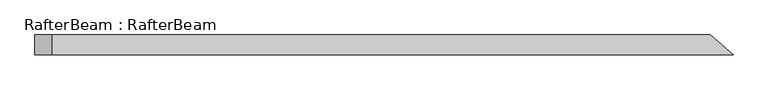
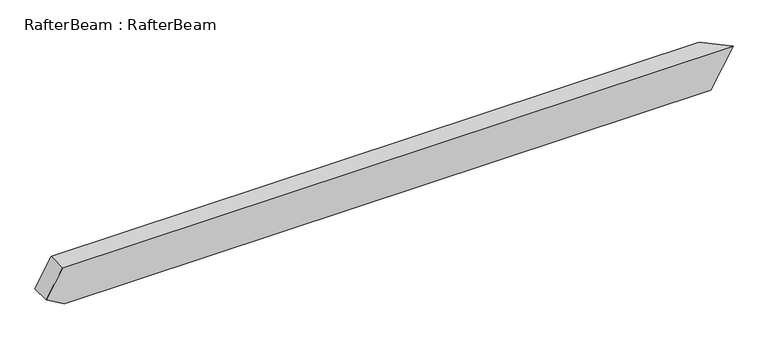
"""IFC4 building model written with IfcOpenShell, lengths in millimetres: beam geometry, RafterBeam : RafterBeam."""

from ifc_helpers import new_model, si_unit, origin, place, context, project, spatial, faceted_brep, source, transform, mapped, element, save


def rafterbeam_rafterbeam_58274458(model_context):
    return source(origin(), model_context, "Body", "Brep", [
        faceted_brep([(1368.6418165, -40.0, 80.0), (1275.4116379, 40.0, 80.0), (-1387.3464537, 40.0, 80.0), (-1387.3464537, -40.0, 80.0), (1183.0355948, 40.0, -80.0), (1276.2657734, -40.0, -80.0), (-1379.7224967, -40.0, -80.0), (-1379.7224967, 40.0, -80.0), (-1454.7224967, 40.0, -36.6987298), (-1454.7224967, -40.0, -36.6987298)], [[[0, 1, 2, 3]], [[4, 5, 6, 7]], [[1, 4, 7, 8, 2]], [[5, 0, 3, 9, 6]], [[0, 5, 4, 1]], [[3, 2, 8, 9]], [[7, 6, 9, 8]]]),
    ])


if __name__ == "__main__":
    model = new_model("IFC4")
    model_context = context("Model", 3, world=origin())
    ifc_project = project(units=[si_unit("LENGTHUNIT", "METRE", prefix="MILLI")], contexts=[model_context])
    site = spatial("IfcSite", under=ifc_project)
    building = spatial("IfcBuilding", under=site)
    placement = place(None, origin())
    rafterbeam_rafterbeam_shape = rafterbeam_rafterbeam_58274458(model_context)
    element("IfcBeam", 1, ObjectType="RafterBeam : RafterBeam", at=placement, inside=building, context=model_context, shape_type="MappedRepresentation", body=[
        mapped(rafterbeam_rafterbeam_shape, transform((0.0, 0.0, 0.0), x_axis=(1.0, 0.0, 0.0), y_axis=(0.0, 1.0, 0.0), z_axis=(0.0, 0.0, 1.0))),
    ])
    save(model, "model.ifc")
